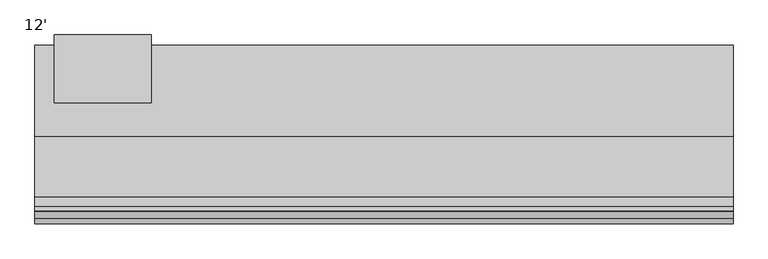
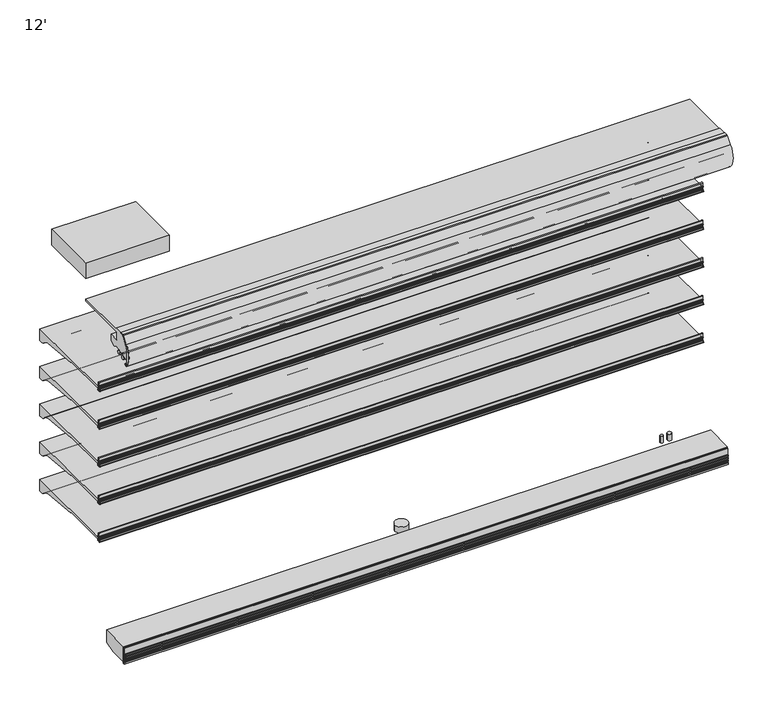
"""IFC4 building model written with IfcOpenShell, lengths in millimetres: proxy geometry, 12'."""

from ifc_helpers import new_model, si_unit, point, frame, frame_2d, origin, place, context, project, spatial, polyline, circle_curve, trimmed, segment, composite_curve, outline, extrude, source, transform, mapped, element, save
from ifc_brep_helpers import plane_surface, cylinder_surface, advanced_brep


def proxy_12_bc94e205(model_context):
    return source(origin(), model_context, "Body", "SolidModel", [
        extrude(outline(composite_curve([segment(polyline([(-1166.6809512, 673.3590118), (-1166.6809512, 627.2869913), (-1172.3025077, 627.2869913), (-1172.3025077, 673.3590118)]), True, "CONTINUOUS"), segment(trimmed(circle_curve(frame_2d((-1169.4917294, 673.3590118)), 2.8107783), [point((-1172.3025077, 673.3590118))], [point((-1166.6809512, 673.3590118))], False, "CARTESIAN"), True, "CONTINUOUS")], self_intersect=False)), frame((0.0, 0.0, 0.0), z_axis=(1.0, 0.0, 0.0), x_axis=(0.0, 1.0, 0.0)), (0.0, 0.0, 1.0), 3657.6),
        extrude(outline(composite_curve([segment(trimmed(circle_curve(frame_2d((-1163.4504929, 651.4868368)), 1.9280539), [point((-1161.7517309, 652.3987576))], [point((-1165.331757, 651.9090184))], True, "CARTESIAN"), True, "CONTINUOUS"), segment(polyline([(-1165.331757, 651.9090184), (-1165.250252, 627.491416)]), True, "CONTINUOUS"), segment(trimmed(circle_curve(frame_2d((-1163.3310491, 627.4978222)), 1.9192136), [point((-1165.250252, 627.491416))], [point((-1161.7034586, 626.4808021))], True, "CARTESIAN"), True, "CONTINUOUS"), segment(polyline([(-1161.7034586, 626.4808021), (-1160.7655732, 628.4261116), (-1159.7610244, 628.067256), (-1160.5780157, 625.7802423)]), True, "CONTINUOUS"), segment(trimmed(circle_curve(frame_2d((-1163.9150962, 626.6263023)), 3.4426623), [point((-1160.5780157, 625.7802423))], [point((-1163.425503, 623.2186312))], False, "CARTESIAN"), True, "CONTINUOUS"), segment(polyline([(-1163.425503, 623.2186312), (-1175.1969589, 621.2859884)]), True, "CONTINUOUS"), segment(trimmed(circle_curve(frame_2d((-1176.0623556, 624.8178953)), 3.6363825), [point((-1175.1969589, 621.2859884))], [point((-1176.8707168, 621.2724997))], False, "CARTESIAN"), True, "CONTINUOUS"), segment(trimmed(circle_curve(frame_2d((-1175.662177, 627.6109197)), 6.4526069), [point((-1176.8707168, 621.2724997))], [point((-1181.8828486, 625.8964572))], False, "CARTESIAN"), True, "CONTINUOUS"), segment(trimmed(circle_curve(frame_2d((-1181.3604941, 626.058445)), 0.5468951), [point((-1181.8828486, 625.8964572))], [point((-1180.9789417, 626.450251))], False, "CARTESIAN"), True, "CONTINUOUS"), segment(polyline([(-1180.9789417, 626.450251), (-1180.476531, 624.9916703)]), True, "CONTINUOUS"), segment(trimmed(circle_curve(frame_2d((-1179.8915211, 625.193178)), 0.6187422), [point((-1180.476531, 624.9916703))], [point((-1179.2817387, 625.0882627))], True, "CARTESIAN"), True, "CONTINUOUS"), segment(trimmed(circle_curve(frame_2d((-1200.8573005, 639.2081773)), 25.7852062), [point((-1179.2817387, 625.0882627))], [point((-1175.8138409, 633.0679827))], True, "CARTESIAN"), True, "CONTINUOUS"), segment(trimmed(circle_curve(frame_2d((-1176.043253, 634.0002362)), 0.9600659), [point((-1175.8138409, 633.0679827))], [point((-1175.3385731, 634.6522736))], True, "CARTESIAN"), True, "CONTINUOUS"), segment(polyline([(-1175.3385731, 634.6522736), (-1174.9159447, 637.4202118)]), True, "CONTINUOUS"), segment(trimmed(circle_curve(frame_2d((-1175.2488063, 638.3116775)), 0.9515818), [point((-1174.9159447, 637.4202118))], [point((-1174.7299165, 639.1093373))], True, "CARTESIAN"), True, "CONTINUOUS"), segment(polyline([(-1174.7299165, 639.1093373), (-1174.6443367, 643.2740469), (-1173.8383813, 646.5265397), (-1174.6268164, 646.72591), (-1174.6268164, 651.4923226), (-1175.4872628, 651.4923226)]), True, "CONTINUOUS"), segment(trimmed(circle_curve(frame_2d((-1183.4029864, 648.5576543)), 8.4422129), [point((-1175.4872628, 651.4923226))], [point((-1177.4034441, 654.4970525))], True, "CARTESIAN"), True, "CONTINUOUS"), segment(trimmed(circle_curve(frame_2d((-1177.9034836, 654.120097)), 0.6262068), [point((-1177.4034441, 654.4970525))], [point((-1178.3956204, 654.507313))], True, "CARTESIAN"), True, "CONTINUOUS"), segment(polyline([(-1178.3956204, 654.507313), (-1178.9699684, 652.9277082)]), True, "CONTINUOUS"), segment(trimmed(circle_curve(frame_2d((-1179.4707304, 653.0647503)), 0.5191754), [point((-1178.9699684, 652.9277082))], [point((-1179.9893103, 653.0896108))], False, "CARTESIAN"), True, "CONTINUOUS"), segment(polyline([(-1179.9893103, 653.0896108), (-1179.6344995, 654.0659516), (-1179.0270967, 655.1476351)]), True, "CONTINUOUS"), segment(trimmed(circle_curve(frame_2d((-1177.9637464, 654.6690909)), 1.1660697), [point((-1179.0270967, 655.1476351))], [point((-1178.012063, 655.8341591))], False, "CARTESIAN"), True, "CONTINUOUS"), segment(polyline([(-1178.012063, 655.8341591), (-1172.4315975, 655.8341591), (-1172.7816684, 639.8794823)]), True, "CONTINUOUS"), segment(trimmed(circle_curve(frame_2d((-1204.7325475, 641.2071084)), 31.9784501), [point((-1172.7816684, 639.8794823))], [point((-1175.8839973, 627.4091948))], False, "CARTESIAN"), True, "CONTINUOUS"), segment(trimmed(circle_curve(frame_2d((-1173.5772773, 626.4881969)), 2.4837863), [point((-1175.8839973, 627.4091948))], [point((-1173.3647043, 624.0135238))], True, "CARTESIAN"), True, "CONTINUOUS"), segment(polyline([(-1173.3647043, 624.0135238), (-1168.8550638, 624.7374041)]), True, "CONTINUOUS"), segment(trimmed(circle_curve(frame_2d((-1169.2651209, 627.3013858)), 2.5965648), [point((-1168.8550638, 624.7374041))], [point((-1166.6809512, 627.0479772))], True, "CARTESIAN"), True, "CONTINUOUS"), segment(polyline([(-1166.6809512, 627.0479772), (-1166.6809512, 655.8555063), (-1163.974361, 655.8555063)]), True, "CONTINUOUS"), segment(trimmed(circle_curve(frame_2d((-1164.2104521, 652.5229101)), 3.3409484), [point((-1163.974361, 655.8555063))], [point((-1161.2402611, 654.0525838))], False, "CARTESIAN"), True, "CONTINUOUS"), segment(polyline([(-1161.2402611, 654.0525838), (-1160.0124559, 650.9106294), (-1161.016829, 650.5181429), (-1161.7517309, 652.3987576)]), True, "CONTINUOUS")], self_intersect=False)), frame((0.0, 0.0, 0.0), z_axis=(1.0, 0.0, 0.0), x_axis=(0.0, 1.0, 0.0)), (0.0, 0.0, 1.0), 3657.6),
        extrude(outline(composite_curve([segment(polyline([(-1166.6809512, 914.6590118), (-1166.6809512, 868.5869913), (-1172.3025077, 868.5869913), (-1172.3025077, 914.6590118)]), True, "CONTINUOUS"), segment(trimmed(circle_curve(frame_2d((-1169.4917294, 914.6590118)), 2.8107783), [point((-1172.3025077, 914.6590118))], [point((-1166.6809512, 914.6590118))], False, "CARTESIAN"), True, "CONTINUOUS")], self_intersect=False)), frame((0.0, 0.0, 0.0), z_axis=(1.0, 0.0, 0.0), x_axis=(0.0, 1.0, 0.0)), (0.0, 0.0, 1.0), 3657.6),
        extrude(outline(composite_curve([segment(trimmed(circle_curve(frame_2d((-1163.4504929, 892.7868368)), 1.9280539), [point((-1161.7517309, 893.6987576))], [point((-1165.331757, 893.2090184))], True, "CARTESIAN"), True, "CONTINUOUS"), segment(polyline([(-1165.331757, 893.2090184), (-1165.250252, 868.791416)]), True, "CONTINUOUS"), segment(trimmed(circle_curve(frame_2d((-1163.3310491, 868.7978222)), 1.9192136), [point((-1165.250252, 868.791416))], [point((-1161.7034586, 867.7808021))], True, "CARTESIAN"), True, "CONTINUOUS"), segment(polyline([(-1161.7034586, 867.7808021), (-1160.7655732, 869.7261116), (-1159.7610244, 869.367256), (-1160.5780157, 867.0802423)]), True, "CONTINUOUS"), segment(trimmed(circle_curve(frame_2d((-1163.9150962, 867.9263023)), 3.4426623), [point((-1160.5780157, 867.0802423))], [point((-1163.425503, 864.5186312))], False, "CARTESIAN"), True, "CONTINUOUS"), segment(polyline([(-1163.425503, 864.5186312), (-1175.1969589, 862.5859884)]), True, "CONTINUOUS"), segment(trimmed(circle_curve(frame_2d((-1176.0623556, 866.1178953)), 3.6363825), [point((-1175.1969589, 862.5859884))], [point((-1176.8707168, 862.5724997))], False, "CARTESIAN"), True, "CONTINUOUS"), segment(trimmed(circle_curve(frame_2d((-1175.662177, 868.9109197)), 6.4526069), [point((-1176.8707168, 862.5724997))], [point((-1181.8828486, 867.1964572))], False, "CARTESIAN"), True, "CONTINUOUS"), segment(trimmed(circle_curve(frame_2d((-1181.3604941, 867.358445)), 0.5468951), [point((-1181.8828486, 867.1964572))], [point((-1180.9789417, 867.750251))], False, "CARTESIAN"), True, "CONTINUOUS"), segment(polyline([(-1180.9789417, 867.750251), (-1180.476531, 866.2916703)]), True, "CONTINUOUS"), segment(trimmed(circle_curve(frame_2d((-1179.8915211, 866.493178)), 0.6187422), [point((-1180.476531, 866.2916703))], [point((-1179.2817387, 866.3882627))], True, "CARTESIAN"), True, "CONTINUOUS"), segment(trimmed(circle_curve(frame_2d((-1200.8573005, 880.5081773)), 25.7852062), [point((-1179.2817387, 866.3882627))], [point((-1175.8138409, 874.3679827))], True, "CARTESIAN"), True, "CONTINUOUS"), segment(trimmed(circle_curve(frame_2d((-1176.043253, 875.3002362)), 0.9600659), [point((-1175.8138409, 874.3679827))], [point((-1175.3385731, 875.9522736))], True, "CARTESIAN"), True, "CONTINUOUS"), segment(polyline([(-1175.3385731, 875.9522736), (-1174.9159447, 878.7202118)]), True, "CONTINUOUS"), segment(trimmed(circle_curve(frame_2d((-1175.2488063, 879.6116775)), 0.9515818), [point((-1174.9159447, 878.7202118))], [point((-1174.7299165, 880.4093373))], True, "CARTESIAN"), True, "CONTINUOUS"), segment(polyline([(-1174.7299165, 880.4093373), (-1174.6443367, 884.5740469), (-1173.8383813, 887.8265397), (-1174.6268164, 888.02591), (-1174.6268164, 892.7923226), (-1175.4872628, 892.7923226)]), True, "CONTINUOUS"), segment(trimmed(circle_curve(frame_2d((-1183.4029864, 889.8576543)), 8.4422129), [point((-1175.4872628, 892.7923226))], [point((-1177.4034441, 895.7970525))], True, "CARTESIAN"), True, "CONTINUOUS"), segment(trimmed(circle_curve(frame_2d((-1177.9034836, 895.420097)), 0.6262068), [point((-1177.4034441, 895.7970525))], [point((-1178.3956204, 895.807313))], True, "CARTESIAN"), True, "CONTINUOUS"), segment(polyline([(-1178.3956204, 895.807313), (-1178.9699684, 894.2277082)]), True, "CONTINUOUS"), segment(trimmed(circle_curve(frame_2d((-1179.4707304, 894.3647503)), 0.5191754), [point((-1178.9699684, 894.2277082))], [point((-1179.9893103, 894.3896108))], False, "CARTESIAN"), True, "CONTINUOUS"), segment(polyline([(-1179.9893103, 894.3896108), (-1179.6344995, 895.3659516), (-1179.0270967, 896.4476351)]), True, "CONTINUOUS"), segment(trimmed(circle_curve(frame_2d((-1177.9637464, 895.9690909)), 1.1660697), [point((-1179.0270967, 896.4476351))], [point((-1178.012063, 897.1341591))], False, "CARTESIAN"), True, "CONTINUOUS"), segment(polyline([(-1178.012063, 897.1341591), (-1172.4315975, 897.1341591), (-1172.7816684, 881.1794823)]), True, "CONTINUOUS"), segment(trimmed(circle_curve(frame_2d((-1204.7325475, 882.5071084)), 31.9784501), [point((-1172.7816684, 881.1794823))], [point((-1175.8839973, 868.7091948))], False, "CARTESIAN"), True, "CONTINUOUS"), segment(trimmed(circle_curve(frame_2d((-1173.5772773, 867.7881969)), 2.4837863), [point((-1175.8839973, 868.7091948))], [point((-1173.3647043, 865.3135238))], True, "CARTESIAN"), True, "CONTINUOUS"), segment(polyline([(-1173.3647043, 865.3135238), (-1168.8550638, 866.0374041)]), True, "CONTINUOUS"), segment(trimmed(circle_curve(frame_2d((-1169.2651209, 868.6013858)), 2.5965648), [point((-1168.8550638, 866.0374041))], [point((-1166.6809512, 868.3479772))], True, "CARTESIAN"), True, "CONTINUOUS"), segment(polyline([(-1166.6809512, 868.3479772), (-1166.6809512, 897.1555063), (-1163.974361, 897.1555063)]), True, "CONTINUOUS"), segment(trimmed(circle_curve(frame_2d((-1164.2104521, 893.8229101)), 3.3409484), [point((-1163.974361, 897.1555063))], [point((-1161.2402611, 895.3525838))], False, "CARTESIAN"), True, "CONTINUOUS"), segment(polyline([(-1161.2402611, 895.3525838), (-1160.0124559, 892.2106294), (-1161.016829, 891.8181429), (-1161.7517309, 893.6987576)]), True, "CONTINUOUS")], self_intersect=False)), frame((0.0, 0.0, 0.0), z_axis=(1.0, 0.0, 0.0), x_axis=(0.0, 1.0, 0.0)), (0.0, 0.0, 1.0), 3657.6),
        extrude(outline(composite_curve([segment(polyline([(-1166.6809512, 1155.9590118), (-1166.6809512, 1109.8869913), (-1172.3025077, 1109.8869913), (-1172.3025077, 1155.9590118)]), True, "CONTINUOUS"), segment(trimmed(circle_curve(frame_2d((-1169.4917294, 1155.9590118)), 2.8107783), [point((-1172.3025077, 1155.9590118))], [point((-1166.6809512, 1155.9590118))], False, "CARTESIAN"), True, "CONTINUOUS")], self_intersect=False)), frame((0.0, 0.0, 0.0), z_axis=(1.0, 0.0, 0.0), x_axis=(0.0, 1.0, 0.0)), (0.0, 0.0, 1.0), 3657.6),
        extrude(outline(composite_curve([segment(trimmed(circle_curve(frame_2d((-1163.4504929, 1134.0868368)), 1.9280539), [point((-1161.7517309, 1134.9987576))], [point((-1165.331757, 1134.5090184))], True, "CARTESIAN"), True, "CONTINUOUS"), segment(polyline([(-1165.331757, 1134.5090184), (-1165.250252, 1110.091416)]), True, "CONTINUOUS"), segment(trimmed(circle_curve(frame_2d((-1163.3310491, 1110.0978222)), 1.9192136), [point((-1165.250252, 1110.091416))], [point((-1161.7034586, 1109.0808021))], True, "CARTESIAN"), True, "CONTINUOUS"), segment(polyline([(-1161.7034586, 1109.0808021), (-1160.7655732, 1111.0261116), (-1159.7610244, 1110.667256), (-1160.5780157, 1108.3802423)]), True, "CONTINUOUS"), segment(trimmed(circle_curve(frame_2d((-1163.9150962, 1109.2263023)), 3.4426623), [point((-1160.5780157, 1108.3802423))], [point((-1163.425503, 1105.8186312))], False, "CARTESIAN"), True, "CONTINUOUS"), segment(polyline([(-1163.425503, 1105.8186312), (-1175.1969589, 1103.8859884)]), True, "CONTINUOUS"), segment(trimmed(circle_curve(frame_2d((-1176.0623556, 1107.4178953)), 3.6363825), [point((-1175.1969589, 1103.8859884))], [point((-1176.8707168, 1103.8724997))], False, "CARTESIAN"), True, "CONTINUOUS"), segment(trimmed(circle_curve(frame_2d((-1175.662177, 1110.2109197)), 6.4526069), [point((-1176.8707168, 1103.8724997))], [point((-1181.8828486, 1108.4964572))], False, "CARTESIAN"), True, "CONTINUOUS"), segment(trimmed(circle_curve(frame_2d((-1181.3604941, 1108.658445)), 0.5468951), [point((-1181.8828486, 1108.4964572))], [point((-1180.9789417, 1109.050251))], False, "CARTESIAN"), True, "CONTINUOUS"), segment(polyline([(-1180.9789417, 1109.050251), (-1180.476531, 1107.5916703)]), True, "CONTINUOUS"), segment(trimmed(circle_curve(frame_2d((-1179.8915211, 1107.793178)), 0.6187422), [point((-1180.476531, 1107.5916703))], [point((-1179.2817387, 1107.6882627))], True, "CARTESIAN"), True, "CONTINUOUS"), segment(trimmed(circle_curve(frame_2d((-1200.8573005, 1121.8081773)), 25.7852062), [point((-1179.2817387, 1107.6882627))], [point((-1175.8138409, 1115.6679827))], True, "CARTESIAN"), True, "CONTINUOUS"), segment(trimmed(circle_curve(frame_2d((-1176.043253, 1116.6002362)), 0.9600659), [point((-1175.8138409, 1115.6679827))], [point((-1175.3385731, 1117.2522736))], True, "CARTESIAN"), True, "CONTINUOUS"), segment(polyline([(-1175.3385731, 1117.2522736), (-1174.9159447, 1120.0202118)]), True, "CONTINUOUS"), segment(trimmed(circle_curve(frame_2d((-1175.2488063, 1120.9116775)), 0.9515818), [point((-1174.9159447, 1120.0202118))], [point((-1174.7299165, 1121.7093373))], True, "CARTESIAN"), True, "CONTINUOUS"), segment(polyline([(-1174.7299165, 1121.7093373), (-1174.6443367, 1125.8740469), (-1173.8383813, 1129.1265397), (-1174.6268164, 1129.32591), (-1174.6268164, 1134.0923226), (-1175.4872628, 1134.0923226)]), True, "CONTINUOUS"), segment(trimmed(circle_curve(frame_2d((-1183.4029864, 1131.1576543)), 8.4422129), [point((-1175.4872628, 1134.0923226))], [point((-1177.4034441, 1137.0970525))], True, "CARTESIAN"), True, "CONTINUOUS"), segment(trimmed(circle_curve(frame_2d((-1177.9034836, 1136.720097)), 0.6262068), [point((-1177.4034441, 1137.0970525))], [point((-1178.3956204, 1137.107313))], True, "CARTESIAN"), True, "CONTINUOUS"), segment(polyline([(-1178.3956204, 1137.107313), (-1178.9699684, 1135.5277082)]), True, "CONTINUOUS"), segment(trimmed(circle_curve(frame_2d((-1179.4707304, 1135.6647503)), 0.5191754), [point((-1178.9699684, 1135.5277082))], [point((-1179.9893103, 1135.6896108))], False, "CARTESIAN"), True, "CONTINUOUS"), segment(polyline([(-1179.9893103, 1135.6896108), (-1179.6344995, 1136.6659516), (-1179.0270967, 1137.7476351)]), True, "CONTINUOUS"), segment(trimmed(circle_curve(frame_2d((-1177.9637464, 1137.2690909)), 1.1660697), [point((-1179.0270967, 1137.7476351))], [point((-1178.012063, 1138.4341591))], False, "CARTESIAN"), True, "CONTINUOUS"), segment(polyline([(-1178.012063, 1138.4341591), (-1172.4315975, 1138.4341591), (-1172.7816684, 1122.4794823)]), True, "CONTINUOUS"), segment(trimmed(circle_curve(frame_2d((-1204.7325475, 1123.8071084)), 31.9784501), [point((-1172.7816684, 1122.4794823))], [point((-1175.8839973, 1110.0091948))], False, "CARTESIAN"), True, "CONTINUOUS"), segment(trimmed(circle_curve(frame_2d((-1173.5772773, 1109.0881969)), 2.4837863), [point((-1175.8839973, 1110.0091948))], [point((-1173.3647043, 1106.6135238))], True, "CARTESIAN"), True, "CONTINUOUS"), segment(polyline([(-1173.3647043, 1106.6135238), (-1168.8550638, 1107.3374041)]), True, "CONTINUOUS"), segment(trimmed(circle_curve(frame_2d((-1169.2651209, 1109.9013858)), 2.5965648), [point((-1168.8550638, 1107.3374041))], [point((-1166.6809512, 1109.6479772))], True, "CARTESIAN"), True, "CONTINUOUS"), segment(polyline([(-1166.6809512, 1109.6479772), (-1166.6809512, 1138.4555063), (-1163.974361, 1138.4555063)]), True, "CONTINUOUS"), segment(trimmed(circle_curve(frame_2d((-1164.2104521, 1135.1229101)), 3.3409484), [point((-1163.974361, 1138.4555063))], [point((-1161.2402611, 1136.6525838))], False, "CARTESIAN"), True, "CONTINUOUS"), segment(polyline([(-1161.2402611, 1136.6525838), (-1160.0124559, 1133.5106294), (-1161.016829, 1133.1181429), (-1161.7517309, 1134.9987576)]), True, "CONTINUOUS")], self_intersect=False)), frame((0.0, 0.0, 0.0), z_axis=(1.0, 0.0, 0.0), x_axis=(0.0, 1.0, 0.0)), (0.0, 0.0, 1.0), 3657.6),
        extrude(outline(composite_curve([segment(polyline([(-1166.6809512, 1397.2590118), (-1166.6809512, 1351.1869913), (-1172.3025077, 1351.1869913), (-1172.3025077, 1397.2590118)]), True, "CONTINUOUS"), segment(trimmed(circle_curve(frame_2d((-1169.4917294, 1397.2590118)), 2.8107783), [point((-1172.3025077, 1397.2590118))], [point((-1166.6809512, 1397.2590118))], False, "CARTESIAN"), True, "CONTINUOUS")], self_intersect=False)), frame((0.0, 0.0, 0.0), z_axis=(1.0, 0.0, 0.0), x_axis=(0.0, 1.0, 0.0)), (0.0, 0.0, 1.0), 3657.6),
        extrude(outline(composite_curve([segment(trimmed(circle_curve(frame_2d((-1163.4504929, 1375.3868368)), 1.9280539), [point((-1161.7517309, 1376.2987576))], [point((-1165.331757, 1375.8090184))], True, "CARTESIAN"), True, "CONTINUOUS"), segment(polyline([(-1165.331757, 1375.8090184), (-1165.250252, 1351.391416)]), True, "CONTINUOUS"), segment(trimmed(circle_curve(frame_2d((-1163.3310491, 1351.3978222)), 1.9192136), [point((-1165.250252, 1351.391416))], [point((-1161.7034586, 1350.3808021))], True, "CARTESIAN"), True, "CONTINUOUS"), segment(polyline([(-1161.7034586, 1350.3808021), (-1160.7655732, 1352.3261116), (-1159.7610244, 1351.967256), (-1160.5780157, 1349.6802423)]), True, "CONTINUOUS"), segment(trimmed(circle_curve(frame_2d((-1163.9150962, 1350.5263023)), 3.4426623), [point((-1160.5780157, 1349.6802423))], [point((-1163.425503, 1347.1186312))], False, "CARTESIAN"), True, "CONTINUOUS"), segment(polyline([(-1163.425503, 1347.1186312), (-1175.1969589, 1345.1859884)]), True, "CONTINUOUS"), segment(trimmed(circle_curve(frame_2d((-1176.0623556, 1348.7178953)), 3.6363825), [point((-1175.1969589, 1345.1859884))], [point((-1176.8707168, 1345.1724997))], False, "CARTESIAN"), True, "CONTINUOUS"), segment(trimmed(circle_curve(frame_2d((-1175.662177, 1351.5109197)), 6.4526069), [point((-1176.8707168, 1345.1724997))], [point((-1181.8828486, 1349.7964572))], False, "CARTESIAN"), True, "CONTINUOUS"), segment(trimmed(circle_curve(frame_2d((-1181.3604941, 1349.958445)), 0.5468951), [point((-1181.8828486, 1349.7964572))], [point((-1180.9789417, 1350.350251))], False, "CARTESIAN"), True, "CONTINUOUS"), segment(polyline([(-1180.9789417, 1350.350251), (-1180.476531, 1348.8916703)]), True, "CONTINUOUS"), segment(trimmed(circle_curve(frame_2d((-1179.8915211, 1349.093178)), 0.6187422), [point((-1180.476531, 1348.8916703))], [point((-1179.2817387, 1348.9882627))], True, "CARTESIAN"), True, "CONTINUOUS"), segment(trimmed(circle_curve(frame_2d((-1200.8573005, 1363.1081773)), 25.7852062), [point((-1179.2817387, 1348.9882627))], [point((-1175.8138409, 1356.9679827))], True, "CARTESIAN"), True, "CONTINUOUS"), segment(trimmed(circle_curve(frame_2d((-1176.043253, 1357.9002362)), 0.9600659), [point((-1175.8138409, 1356.9679827))], [point((-1175.3385731, 1358.5522736))], True, "CARTESIAN"), True, "CONTINUOUS"), segment(polyline([(-1175.3385731, 1358.5522736), (-1174.9159447, 1361.3202118)]), True, "CONTINUOUS"), segment(trimmed(circle_curve(frame_2d((-1175.2488063, 1362.2116775)), 0.9515818), [point((-1174.9159447, 1361.3202118))], [point((-1174.7299165, 1363.0093373))], True, "CARTESIAN"), True, "CONTINUOUS"), segment(polyline([(-1174.7299165, 1363.0093373), (-1174.6443367, 1367.1740469), (-1173.8383813, 1370.4265397), (-1174.6268164, 1370.62591), (-1174.6268164, 1375.3923226), (-1175.4872628, 1375.3923226)]), True, "CONTINUOUS"), segment(trimmed(circle_curve(frame_2d((-1183.4029864, 1372.4576543)), 8.4422129), [point((-1175.4872628, 1375.3923226))], [point((-1177.4034441, 1378.3970525))], True, "CARTESIAN"), True, "CONTINUOUS"), segment(trimmed(circle_curve(frame_2d((-1177.9034836, 1378.020097)), 0.6262068), [point((-1177.4034441, 1378.3970525))], [point((-1178.3956204, 1378.407313))], True, "CARTESIAN"), True, "CONTINUOUS"), segment(polyline([(-1178.3956204, 1378.407313), (-1178.9699684, 1376.8277082)]), True, "CONTINUOUS"), segment(trimmed(circle_curve(frame_2d((-1179.4707304, 1376.9647503)), 0.5191754), [point((-1178.9699684, 1376.8277082))], [point((-1179.9893103, 1376.9896108))], False, "CARTESIAN"), True, "CONTINUOUS"), segment(polyline([(-1179.9893103, 1376.9896108), (-1179.6344995, 1377.9659516), (-1179.0270967, 1379.0476351)]), True, "CONTINUOUS"), segment(trimmed(circle_curve(frame_2d((-1177.9637464, 1378.5690909)), 1.1660697), [point((-1179.0270967, 1379.0476351))], [point((-1178.012063, 1379.7341591))], False, "CARTESIAN"), True, "CONTINUOUS"), segment(polyline([(-1178.012063, 1379.7341591), (-1172.4315975, 1379.7341591), (-1172.7816684, 1363.7794823)]), True, "CONTINUOUS"), segment(trimmed(circle_curve(frame_2d((-1204.7325475, 1365.1071084)), 31.9784501), [point((-1172.7816684, 1363.7794823))], [point((-1175.8839973, 1351.3091948))], False, "CARTESIAN"), True, "CONTINUOUS"), segment(trimmed(circle_curve(frame_2d((-1173.5772773, 1350.3881969)), 2.4837863), [point((-1175.8839973, 1351.3091948))], [point((-1173.3647043, 1347.9135238))], True, "CARTESIAN"), True, "CONTINUOUS"), segment(polyline([(-1173.3647043, 1347.9135238), (-1168.8550638, 1348.6374041)]), True, "CONTINUOUS"), segment(trimmed(circle_curve(frame_2d((-1169.2651209, 1351.2013858)), 2.5965648), [point((-1168.8550638, 1348.6374041))], [point((-1166.6809512, 1350.9479772))], True, "CARTESIAN"), True, "CONTINUOUS"), segment(polyline([(-1166.6809512, 1350.9479772), (-1166.6809512, 1379.7555063), (-1163.974361, 1379.7555063)]), True, "CONTINUOUS"), segment(trimmed(circle_curve(frame_2d((-1164.2104521, 1376.4229101)), 3.3409484), [point((-1163.974361, 1379.7555063))], [point((-1161.2402611, 1377.9525838))], False, "CARTESIAN"), True, "CONTINUOUS"), segment(polyline([(-1161.2402611, 1377.9525838), (-1160.0124559, 1374.8106294), (-1161.016829, 1374.4181429), (-1161.7517309, 1376.2987576)]), True, "CONTINUOUS")], self_intersect=False)), frame((0.0, 0.0, 0.0), z_axis=(1.0, 0.0, 0.0), x_axis=(0.0, 1.0, 0.0)), (0.0, 0.0, 1.0), 3657.6),
        extrude(outline(composite_curve([segment(polyline([(-1401.9895748, 2098.675), (-1422.2402351, 2098.675)]), True, "CONTINUOUS"), segment(trimmed(circle_curve(frame_2d((-1422.2402351, 2094.2009254)), 4.4740745), [point((-1422.2402351, 2098.675))], [point((-1425.458615, 2097.3088788))], True, "CARTESIAN"), True, "CONTINUOUS"), segment(polyline([(-1425.458615, 2097.3088788), (-1460.7854536, 2060.7268666)]), True, "CONTINUOUS"), segment(trimmed(circle_curve(frame_2d((-1388.5044641, 1990.9259263)), 100.4824), [point((-1460.7854536, 2060.7268666))], [point((-1469.2767016, 2050.6968084))], True, "CARTESIAN"), True, "CONTINUOUS"), segment(trimmed(circle_curve(frame_2d((-1388.5044641, 1990.9259263)), 100.4824), [point((-1469.2767016, 2050.6968084))], [point((-1461.9926392, 1922.3970943))], True, "CARTESIAN"), True, "CONTINUOUS"), segment(trimmed(circle_curve(frame_2d((-1458.1659041, 1925.9655825)), 5.2324), [point((-1461.9926392, 1922.3970943))], [point((-1454.4660386, 1922.265717))], True, "CARTESIAN"), True, "CONTINUOUS"), segment(polyline([(-1454.4660386, 1922.265717), (-1447.8924911, 1928.8392645), (-1446.4556502, 1927.4024235), (-1453.0291976, 1920.828876)]), True, "CONTINUOUS"), segment(trimmed(circle_curve(frame_2d((-1458.1659041, 1925.9655825)), 7.2644), [point((-1453.0291976, 1920.828876))], [point((-1463.47875, 1921.0112736))], False, "CARTESIAN"), True, "CONTINUOUS"), segment(trimmed(circle_curve(frame_2d((-1388.5044641, 1990.9259263)), 102.5144), [point((-1463.47875, 1921.0112736))], [point((-1462.2471521, 2062.1384124))], False, "CARTESIAN"), True, "CONTINUOUS"), segment(polyline([(-1462.2471521, 2062.1384124), (-1427.6113468, 2098.0048387)]), True, "CONTINUOUS"), segment(trimmed(circle_curve(frame_2d((-1422.3857748, 2092.9585624)), 7.2644), [point((-1427.6113468, 2098.0048387))], [point((-1422.3857748, 2100.2229624))], False, "CARTESIAN"), True, "CONTINUOUS"), segment(polyline([(-1422.3857748, 2100.2229624), (-1401.9895748, 2100.2229624), (-1401.9895748, 2098.675)]), True, "CONTINUOUS")], self_intersect=False)), frame((0.0, 0.0, 0.0), z_axis=(1.0, 0.0, 0.0), x_axis=(0.0, 1.0, 0.0)), (0.0, 0.0, 1.0), 3657.6),
        extrude(outline(composite_curve([segment(trimmed(circle_curve(frame_2d((-1382.6450033, 1963.4468051)), 11.1125), [point((-1393.7574982, 1963.4361068))], [point((-1371.5325085, 1963.4575034))], False, "CARTESIAN"), True, "CONTINUOUS"), segment(trimmed(circle_curve(frame_2d((-1382.6450033, 1963.4468051)), 11.1125), [point((-1371.5325085, 1963.4575034))], [point((-1393.7574982, 1963.4361068))], False, "CARTESIAN"), True, "CONTINUOUS")], self_intersect=False)), frame((0.0, 0.0, 0.0), z_axis=(1.0, 0.0, 0.0), x_axis=(0.0, 1.0, 0.0)), (0.0, 0.0, 1.0), 3657.6),
        extrude(outline(composite_curve([segment(trimmed(circle_curve(frame_2d((-1422.7955513, 1952.5918872)), 11.1125), [point((-1433.9080461, 1952.5811889))], [point((-1411.6830564, 1952.6025854))], False, "CARTESIAN"), True, "CONTINUOUS"), segment(trimmed(circle_curve(frame_2d((-1422.7955513, 1952.5918872)), 11.1125), [point((-1411.6830564, 1952.6025854))], [point((-1433.9080461, 1952.5811889))], False, "CARTESIAN"), True, "CONTINUOUS")], self_intersect=False)), frame((0.0, 0.0, 0.0), z_axis=(1.0, 0.0, 0.0), x_axis=(0.0, 1.0, 0.0)), (0.0, 0.0, 1.0), 3657.6),
        extrude(outline(composite_curve([segment(polyline([(-1421.4795117, 2098.675), (-1353.1925343, 2098.675), (-1353.1925343, 2094.407711), (-1036.8679254, 2094.407711), (-1036.8679254, 2079.9361513), (-1361.2177409, 2079.9361513), (-1361.2177409, 2029.1361513), (-1300.8277259, 2029.1361513), (-1300.8277259, 1989.1126887), (-1337.1349866, 1975.8979266), (-1362.075082, 1987.5276841), (-1465.8717206, 1959.7154586), (-1465.8717206, 1929.2913231)]), True, "CONTINUOUS"), segment(trimmed(circle_curve(frame_2d((-1464.2842206, 1929.2913231)), 1.5875), [point((-1465.8717206, 1929.2913231))], [point((-1464.8010601, 1927.7903123))], True, "CARTESIAN"), True, "CONTINUOUS"), segment(polyline([(-1464.8010601, 1927.7903123), (-1454.6095723, 1924.2811017)]), True, "CONTINUOUS"), segment(trimmed(circle_curve(frame_2d((-1454.0927328, 1925.7821124)), 1.5875), [point((-1454.6095723, 1924.2811017))], [point((-1452.9702008, 1924.6595804))], True, "CARTESIAN"), True, "CONTINUOUS"), segment(polyline([(-1452.9702008, 1924.6595804), (-1449.6242529, 1928.0055284)]), True, "CONTINUOUS"), segment(trimmed(circle_curve(frame_2d((-1449.3997464, 1927.781022)), 0.3175), [point((-1449.6242529, 1928.0055284))], [point((-1449.17524, 1927.5565156))], False, "CARTESIAN"), True, "CONTINUOUS"), segment(polyline([(-1449.17524, 1927.5565156), (-1452.521188, 1924.2105676)]), True, "CONTINUOUS"), segment(trimmed(circle_curve(frame_2d((-1454.0927328, 1925.7821124)), 2.2225), [point((-1452.521188, 1924.2105676))], [point((-1454.8163081, 1923.6806974))], False, "CARTESIAN"), True, "CONTINUOUS"), segment(polyline([(-1454.8163081, 1923.6806974), (-1465.0077959, 1927.189908)]), True, "CONTINUOUS"), segment(trimmed(circle_curve(frame_2d((-1464.2842206, 1929.2913231)), 2.2225), [point((-1465.0077959, 1927.189908))], [point((-1466.5067206, 1929.2913231))], False, "CARTESIAN"), True, "CONTINUOUS"), segment(polyline([(-1466.5067206, 1929.2913231), (-1466.5067206, 2031.5920746), (-1432.9095117, 2079.5738616), (-1432.9095117, 2083.5097624), (-1421.4795117, 2094.6095624), (-1421.4795117, 2098.675)]), True, "CONTINUOUS")], self_intersect=False)), frame((0.0, 0.0, 0.0), z_axis=(1.0, 0.0, 0.0), x_axis=(0.0, 1.0, 0.0)), (0.0, 0.0, 1.0), 3657.6),
        extrude(outline(polyline([(609.6, -502.5186137), (609.6, -858.1186137), (101.6, -858.1186137), (101.6, -502.5186137), (609.6, -502.5186137)])), frame((0.0, 0.0, 2079.9361513), z_axis=(0.0, 0.0, 1.0), x_axis=(1.0, 0.0, 0.0)), (0.0, 0.0, 1.0), 102.0572),
        extrude(outline(composite_curve([segment(polyline([(-1430.4508502, 0.0), (-1442.1812873, 0.0), (-1442.1812873, 8.4852001)]), True, "CONTINUOUS"), segment(trimmed(circle_curve(frame_2d((-1443.1437506, 15.2920025)), 6.8745105), [point((-1442.1812873, 8.4852001))], [point((-1436.5835392, 13.2371249))], True, "CARTESIAN"), True, "CONTINUOUS"), segment(polyline([(-1436.5835392, 13.2371249), (-1434.9883529, 18.9518946), (-1440.3853294, 17.8570836), (-1441.3969712, 17.8570836), (-1441.3969712, 24.300662)]), True, "CONTINUOUS"), segment(trimmed(circle_curve(frame_2d((-1443.6384576, 31.1512245)), 7.2079448), [point((-1441.3969712, 24.300662))], [point((-1436.7586105, 29.001301))], True, "CARTESIAN"), True, "CONTINUOUS"), segment(polyline([(-1436.7586105, 29.001301), (-1434.9883529, 34.6662009), (-1440.3853294, 33.5713898), (-1441.3969712, 33.5713898), (-1441.3969712, 40.0149682)]), True, "CONTINUOUS"), segment(trimmed(circle_curve(frame_2d((-1443.6751786, 46.9017652)), 7.2538404), [point((-1441.3969712, 40.0149682))], [point((-1436.7586105, 44.7156073))], True, "CARTESIAN"), True, "CONTINUOUS"), segment(polyline([(-1436.7586105, 44.7156073), (-1434.9883529, 50.3163494), (-1440.3853294, 49.2857909), (-1441.3969712, 49.2857909), (-1441.3969712, 55.7293693)]), True, "CONTINUOUS"), segment(trimmed(circle_curve(frame_2d((-1441.0936844, 61.292491)), 5.5713828), [point((-1441.3969712, 55.7293693))], [point((-1437.1434491, 57.3636302))], True, "CARTESIAN"), True, "CONTINUOUS"), segment(polyline([(-1437.1434491, 57.3636302), (-1437.1434491, 59.2060524), (-1437.1434491, 98.81235), (-1430.4508502, 98.81235), (-1430.4508502, 0.0)]), True, "CONTINUOUS")], self_intersect=False)), frame((0.0, 0.0, 0.0), z_axis=(1.0, 0.0, 0.0), x_axis=(0.0, 1.0, 0.0)), (0.0, 0.0, 1.0), 3657.6),
        extrude(outline(composite_curve([segment(polyline([(-1166.6809512, 1638.5590118), (-1166.6809512, 1592.4869913), (-1172.3025077, 1592.4869913), (-1172.3025077, 1638.5590118)]), True, "CONTINUOUS"), segment(trimmed(circle_curve(frame_2d((-1169.4917294, 1638.5590118)), 2.8107783), [point((-1172.3025077, 1638.5590118))], [point((-1166.6809512, 1638.5590118))], False, "CARTESIAN"), True, "CONTINUOUS")], self_intersect=False)), frame((0.0, 0.0, 0.0), z_axis=(1.0, 0.0, 0.0), x_axis=(0.0, 1.0, 0.0)), (0.0, 0.0, 1.0), 3657.6),
        extrude(outline(composite_curve([segment(trimmed(circle_curve(frame_2d((-1163.4504929, 1616.6868368)), 1.9280539), [point((-1161.7517309, 1617.5987576))], [point((-1165.331757, 1617.1090184))], True, "CARTESIAN"), True, "CONTINUOUS"), segment(polyline([(-1165.331757, 1617.1090184), (-1165.250252, 1592.691416)]), True, "CONTINUOUS"), segment(trimmed(circle_curve(frame_2d((-1163.3310491, 1592.6978222)), 1.9192136), [point((-1165.250252, 1592.691416))], [point((-1161.7034586, 1591.6808021))], True, "CARTESIAN"), True, "CONTINUOUS"), segment(polyline([(-1161.7034586, 1591.6808021), (-1160.7655732, 1593.6261116), (-1159.7610244, 1593.267256), (-1160.5780157, 1590.9802423)]), True, "CONTINUOUS"), segment(trimmed(circle_curve(frame_2d((-1163.9150962, 1591.8263023)), 3.4426623), [point((-1160.5780157, 1590.9802423))], [point((-1163.425503, 1588.4186312))], False, "CARTESIAN"), True, "CONTINUOUS"), segment(polyline([(-1163.425503, 1588.4186312), (-1175.1969589, 1586.4859884)]), True, "CONTINUOUS"), segment(trimmed(circle_curve(frame_2d((-1176.0623556, 1590.0178953)), 3.6363825), [point((-1175.1969589, 1586.4859884))], [point((-1176.8707168, 1586.4724997))], False, "CARTESIAN"), True, "CONTINUOUS"), segment(trimmed(circle_curve(frame_2d((-1175.662177, 1592.8109197)), 6.4526069), [point((-1176.8707168, 1586.4724997))], [point((-1181.8828486, 1591.0964572))], False, "CARTESIAN"), True, "CONTINUOUS"), segment(trimmed(circle_curve(frame_2d((-1181.3604941, 1591.258445)), 0.5468951), [point((-1181.8828486, 1591.0964572))], [point((-1180.9789417, 1591.650251))], False, "CARTESIAN"), True, "CONTINUOUS"), segment(polyline([(-1180.9789417, 1591.650251), (-1180.476531, 1590.1916703)]), True, "CONTINUOUS"), segment(trimmed(circle_curve(frame_2d((-1179.8915211, 1590.393178)), 0.6187422), [point((-1180.476531, 1590.1916703))], [point((-1179.2817387, 1590.2882627))], True, "CARTESIAN"), True, "CONTINUOUS"), segment(trimmed(circle_curve(frame_2d((-1200.8573005, 1604.4081773)), 25.7852062), [point((-1179.2817387, 1590.2882627))], [point((-1175.8138409, 1598.2679827))], True, "CARTESIAN"), True, "CONTINUOUS"), segment(trimmed(circle_curve(frame_2d((-1176.043253, 1599.2002362)), 0.9600659), [point((-1175.8138409, 1598.2679827))], [point((-1175.3385731, 1599.8522736))], True, "CARTESIAN"), True, "CONTINUOUS"), segment(polyline([(-1175.3385731, 1599.8522736), (-1174.9159447, 1602.6202118)]), True, "CONTINUOUS"), segment(trimmed(circle_curve(frame_2d((-1175.2488063, 1603.5116775)), 0.9515818), [point((-1174.9159447, 1602.6202118))], [point((-1174.7299165, 1604.3093373))], True, "CARTESIAN"), True, "CONTINUOUS"), segment(polyline([(-1174.7299165, 1604.3093373), (-1174.6443367, 1608.4740469), (-1173.8383813, 1611.7265397), (-1174.6268164, 1611.92591), (-1174.6268164, 1616.6923226), (-1175.4872628, 1616.6923226)]), True, "CONTINUOUS"), segment(trimmed(circle_curve(frame_2d((-1183.4029864, 1613.7576543)), 8.4422129), [point((-1175.4872628, 1616.6923226))], [point((-1177.4034441, 1619.6970525))], True, "CARTESIAN"), True, "CONTINUOUS"), segment(trimmed(circle_curve(frame_2d((-1177.9034836, 1619.320097)), 0.6262068), [point((-1177.4034441, 1619.6970525))], [point((-1178.3956204, 1619.707313))], True, "CARTESIAN"), True, "CONTINUOUS"), segment(polyline([(-1178.3956204, 1619.707313), (-1178.9699684, 1618.1277082)]), True, "CONTINUOUS"), segment(trimmed(circle_curve(frame_2d((-1179.4707304, 1618.2647503)), 0.5191754), [point((-1178.9699684, 1618.1277082))], [point((-1179.9893103, 1618.2896108))], False, "CARTESIAN"), True, "CONTINUOUS"), segment(polyline([(-1179.9893103, 1618.2896108), (-1179.6344995, 1619.2659516), (-1179.0270967, 1620.3476351)]), True, "CONTINUOUS"), segment(trimmed(circle_curve(frame_2d((-1177.9637464, 1619.8690909)), 1.1660697), [point((-1179.0270967, 1620.3476351))], [point((-1178.012063, 1621.0341591))], False, "CARTESIAN"), True, "CONTINUOUS"), segment(polyline([(-1178.012063, 1621.0341591), (-1172.4315975, 1621.0341591), (-1172.7816684, 1605.0794823)]), True, "CONTINUOUS"), segment(trimmed(circle_curve(frame_2d((-1204.7325475, 1606.4071084)), 31.9784501), [point((-1172.7816684, 1605.0794823))], [point((-1175.8839973, 1592.6091948))], False, "CARTESIAN"), True, "CONTINUOUS"), segment(trimmed(circle_curve(frame_2d((-1173.5772773, 1591.6881969)), 2.4837863), [point((-1175.8839973, 1592.6091948))], [point((-1173.3647043, 1589.2135238))], True, "CARTESIAN"), True, "CONTINUOUS"), segment(polyline([(-1173.3647043, 1589.2135238), (-1168.8550638, 1589.9374041)]), True, "CONTINUOUS"), segment(trimmed(circle_curve(frame_2d((-1169.2651209, 1592.5013858)), 2.5965648), [point((-1168.8550638, 1589.9374041))], [point((-1166.6809512, 1592.2479772))], True, "CARTESIAN"), True, "CONTINUOUS"), segment(polyline([(-1166.6809512, 1592.2479772), (-1166.6809512, 1621.0555063), (-1163.974361, 1621.0555063)]), True, "CONTINUOUS"), segment(trimmed(circle_curve(frame_2d((-1164.2104521, 1617.7229101)), 3.3409484), [point((-1163.974361, 1621.0555063))], [point((-1161.2402611, 1619.2525838))], False, "CARTESIAN"), True, "CONTINUOUS"), segment(polyline([(-1161.2402611, 1619.2525838), (-1160.0124559, 1616.1106294), (-1161.016829, 1615.7181429), (-1161.7517309, 1617.5987576)]), True, "CONTINUOUS")], self_intersect=False)), frame((0.0, 0.0, 0.0), z_axis=(1.0, 0.0, 0.0), x_axis=(0.0, 1.0, 0.0)), (0.0, 0.0, 1.0), 3657.6),
        extrude(outline(composite_curve([segment(polyline([(-555.6910045, 571.547791), (-574.0670246, 571.2353274)]), True, "CONTINUOUS"), segment(trimmed(circle_curve(frame_2d((-574.4988606, 596.6316562)), 25.4), [point((-574.0670246, 571.2353274))], [point((-590.4762169, 576.8861735))], False, "CARTESIAN"), True, "CONTINUOUS"), segment(polyline([(-590.4762169, 576.8861735), (-608.328278, 591.331439)]), True, "CONTINUOUS"), segment(trimmed(circle_curve(frame_2d((-648.2716687, 541.9677323)), 63.5), [point((-608.328278, 591.331439))], [point((-640.3737874, 604.9746642))], True, "CARTESIAN"), True, "CONTINUOUS"), segment(polyline([(-640.3737874, 604.9746642), (-880.2379219, 628.6718016), (-881.7266984, 632.1123537), (-1165.2910045, 632.1123537), (-1165.2910045, 646.3363537), (-555.6910045, 646.3363537), (-555.6910045, 571.547791)]), True, "CONTINUOUS")], self_intersect=False)), frame((0.0, 0.0, 0.0), z_axis=(1.0, 0.0, 0.0), x_axis=(0.0, 1.0, 0.0)), (0.0, 0.0, 1.0), 3657.6),
        extrude(outline(composite_curve([segment(polyline([(-555.6910045, 812.847791), (-574.0670246, 812.5353274)]), True, "CONTINUOUS"), segment(trimmed(circle_curve(frame_2d((-574.4988606, 837.9316562)), 25.4), [point((-574.0670246, 812.5353274))], [point((-590.4762169, 818.1861735))], False, "CARTESIAN"), True, "CONTINUOUS"), segment(polyline([(-590.4762169, 818.1861735), (-608.328278, 832.631439)]), True, "CONTINUOUS"), segment(trimmed(circle_curve(frame_2d((-648.2716687, 783.2677323)), 63.5), [point((-608.328278, 832.631439))], [point((-640.3737874, 846.2746642))], True, "CARTESIAN"), True, "CONTINUOUS"), segment(polyline([(-640.3737874, 846.2746642), (-880.2379219, 869.9718016), (-881.7266984, 873.4123537), (-1165.2910045, 873.4123537), (-1165.2910045, 887.6363537), (-555.6910045, 887.6363537), (-555.6910045, 812.847791)]), True, "CONTINUOUS")], self_intersect=False)), frame((0.0, 0.0, 0.0), z_axis=(1.0, 0.0, 0.0), x_axis=(0.0, 1.0, 0.0)), (0.0, 0.0, 1.0), 3657.6),
        extrude(outline(composite_curve([segment(polyline([(-555.6910045, 1054.147791), (-574.0670246, 1053.8353274)]), True, "CONTINUOUS"), segment(trimmed(circle_curve(frame_2d((-574.4988606, 1079.2316562)), 25.4), [point((-574.0670246, 1053.8353274))], [point((-590.4762169, 1059.4861735))], False, "CARTESIAN"), True, "CONTINUOUS"), segment(polyline([(-590.4762169, 1059.4861735), (-608.328278, 1073.931439)]), True, "CONTINUOUS"), segment(trimmed(circle_curve(frame_2d((-648.2716687, 1024.5677323)), 63.5), [point((-608.328278, 1073.931439))], [point((-640.3737874, 1087.5746642))], True, "CARTESIAN"), True, "CONTINUOUS"), segment(polyline([(-640.3737874, 1087.5746642), (-880.2379219, 1111.2718016), (-881.7266984, 1114.7123537), (-1165.2910045, 1114.7123537), (-1165.2910045, 1128.9363537), (-555.6910045, 1128.9363537), (-555.6910045, 1054.147791)]), True, "CONTINUOUS")], self_intersect=False)), frame((0.0, 0.0, 0.0), z_axis=(1.0, 0.0, 0.0), x_axis=(0.0, 1.0, 0.0)), (0.0, 0.0, 1.0), 3657.6),
        extrude(outline(composite_curve([segment(polyline([(-555.6910045, 1295.447791), (-574.0670246, 1295.1353274)]), True, "CONTINUOUS"), segment(trimmed(circle_curve(frame_2d((-574.4988606, 1320.5316562)), 25.4), [point((-574.0670246, 1295.1353274))], [point((-590.4762169, 1300.7861735))], False, "CARTESIAN"), True, "CONTINUOUS"), segment(polyline([(-590.4762169, 1300.7861735), (-608.328278, 1315.231439)]), True, "CONTINUOUS"), segment(trimmed(circle_curve(frame_2d((-648.2716687, 1265.8677323)), 63.5), [point((-608.328278, 1315.231439))], [point((-640.3737874, 1328.8746642))], True, "CARTESIAN"), True, "CONTINUOUS"), segment(polyline([(-640.3737874, 1328.8746642), (-880.2379219, 1352.5718016), (-881.7266984, 1356.0123537), (-1165.2910045, 1356.0123537), (-1165.2910045, 1370.2363537), (-555.6910045, 1370.2363537), (-555.6910045, 1295.447791)]), True, "CONTINUOUS")], self_intersect=False)), frame((0.0, 0.0, 0.0), z_axis=(1.0, 0.0, 0.0), x_axis=(0.0, 1.0, 0.0)), (0.0, 0.0, 1.0), 3657.6),
        extrude(outline(composite_curve([segment(polyline([(-555.6910045, 1536.747791), (-574.0670246, 1536.4353274)]), True, "CONTINUOUS"), segment(trimmed(circle_curve(frame_2d((-574.4988606, 1561.8316562)), 25.4), [point((-574.0670246, 1536.4353274))], [point((-590.4762169, 1542.0861735))], False, "CARTESIAN"), True, "CONTINUOUS"), segment(polyline([(-590.4762169, 1542.0861735), (-608.328278, 1556.531439)]), True, "CONTINUOUS"), segment(trimmed(circle_curve(frame_2d((-648.2716687, 1507.1677323)), 63.5), [point((-608.328278, 1556.531439))], [point((-640.3737874, 1570.1746642))], True, "CARTESIAN"), True, "CONTINUOUS"), segment(polyline([(-640.3737874, 1570.1746642), (-880.2379219, 1593.8718016), (-881.7266984, 1597.3123537), (-1165.2910045, 1597.3123537), (-1165.2910045, 1611.5363537), (-555.6910045, 1611.5363537), (-555.6910045, 1536.747791)]), True, "CONTINUOUS")], self_intersect=False)), frame((0.0, 0.0, 0.0), z_axis=(1.0, 0.0, 0.0), x_axis=(0.0, 1.0, 0.0)), (0.0, 0.0, 1.0), 3657.6),
        extrude(outline(polyline([(638.175, -1315.9089273), (638.175, -1417.5089273), (127.0, -1417.5089273), (127.0, -1315.9089273), (638.175, -1315.9089273)])), frame((0.0, 0.0, 63.88735), z_axis=(0.0, 0.0, 1.0), x_axis=(1.0, 0.0, 0.0)), (0.0, 0.0, 1.0), 6.35),
        advanced_brep(
        [(3657.6, -1429.7142502, 105.16235), (3657.6, -1429.7142502, 12.46632), (3657.6, -1425.7518502, 8.50392), (3657.6, -1323.5320893, 8.50392), (3657.6, -1254.2383502, 27.0711214), (3657.6, -1254.2383502, 105.16235), (0.0, -1429.7142502, 105.16235), (0.0, -1254.2383502, 105.16235), (0.0, -1254.2383502, 27.0711214), (0.0, -1323.5320893, 8.50392), (0.0, -1425.7518502, 8.50392), (0.0, -1429.7142502, 12.46632), (127.0, -1323.5320893, 8.50392), (127.0, -1417.5089273, 8.50392), (638.175, -1417.5089273, 8.50392), (638.175, -1323.5320893, 8.50392), (638.175, -1315.9089273, 10.5465401), (127.0, -1315.9089273, 10.5465401), (638.175, -1315.9089273, 70.23735), (638.175, -1417.5089273, 70.23735), (127.0, -1417.5089273, 70.23735), (127.0, -1315.9089273, 70.23735)],
        [
            (0, 1),
            (1, 2, circle_curve(frame((3657.6, -1425.7518502, 12.46632), z_axis=(1.0, 0.0, 0.0), x_axis=(0.0, 1.0, 0.0)), 3.9624)),
            (2, 3),
            (3, 4),
            (4, 5),
            (5, 0),
            (6, 7),
            (7, 8),
            (8, 9),
            (9, 10),
            (10, 11, circle_curve(frame((0.0, -1425.7518502, 12.46632), z_axis=(-1.0, 0.0, 0.0), x_axis=(0.0, 1.0, 0.0)), 3.9624)),
            (11, 6),
            (0, 6),
            (11, 1),
            (10, 2),
            (9, 12),
            (12, 13),
            (13, 14),
            (14, 15),
            (15, 3),
            (15, 16),
            (16, 17),
            (17, 12),
            (8, 4),
            (7, 5),
            (18, 19),
            (19, 20),
            (20, 21),
            (21, 18),
            (21, 17),
            (16, 18),
            (20, 13),
            (19, 14),
        ],
        [
            plane_surface(frame((3657.6, -1429.7142502, 12.46632), z_axis=(1.0, 0.0, 0.0), x_axis=(0.0, 0.0, -1.0))),
            plane_surface(frame((0.0, -1429.7142502, 12.46632), z_axis=(-1.0, 0.0, 0.0), x_axis=(0.0, 0.0, 1.0))),
            plane_surface(frame((3657.6, -1429.7142502, 105.16235), z_axis=(0.0, -1.0, 0.0), x_axis=(-1.0, 0.0, 0.0))),
            cylinder_surface(frame((0.0, -1425.7518502, 12.46632), z_axis=(1.0, 0.0, 0.0), x_axis=(0.0, 1.0, 0.0)), 3.9624),
            plane_surface(frame((3657.6, -1425.7518502, 8.50392), z_axis=(0.0, 0.0, -1.0), x_axis=(-1.0, 0.0, 0.0))),
            plane_surface(frame((3657.6, -1323.5320893, 8.50392), z_axis=(0.0, 0.25881904513087156, -0.9659258262814717), x_axis=(-1.0, 0.0, 0.0))),
            plane_surface(frame((3657.6, -1254.2383502, 27.0711214), z_axis=(0.0, 1.0, 0.0), x_axis=(-1.0, 0.0, 0.0))),
            plane_surface(frame((3657.6, -1254.2383502, 105.16235), z_axis=(0.0, 0.0, 1.0), x_axis=(-1.0, 0.0, 0.0))),
            plane_surface(frame((127.0, -1315.9089273, 70.23735), z_axis=(0.0, 0.0, -1.0), x_axis=(-1.0, 0.0, 0.0))),
            plane_surface(frame((638.175, -1315.9089273, 70.23735), z_axis=(0.0, -1.0, 0.0), x_axis=(0.0, 0.0, -1.0))),
            plane_surface(frame((127.0, -1315.9089273, 70.23735), z_axis=(1.0, 0.0, 0.0), x_axis=(0.0, 0.0, -1.0))),
            plane_surface(frame((127.0, -1417.5089273, 70.23735), z_axis=(0.0, 1.0, 0.0), x_axis=(0.0, 0.0, -1.0))),
            plane_surface(frame((638.175, -1417.5089273, 70.23735), z_axis=(-1.0, 0.0, 0.0), x_axis=(0.0, 0.0, -1.0))),
        ],
        [
            (0, [[1, 2, 3, 4, 5, 6]]),
            (1, [[7, 8, 9, 10, 11, 12]]),
            (2, [[-1, 13, -12, 14]]),
            (3, [[-2, -14, -11, 15]]),
            (4, [[-3, -15, -10, 16, 17, 18, 19, 20]]),
            (5, [[-4, -20, 21, 22, 23, -16, -9, 24]]),
            (6, [[-5, -24, -8, 25]]),
            (7, [[-6, -25, -7, -13]]),
            (8, [[26, 27, 28, 29]]),
            (9, [[-29, 30, -22, 31]]),
            (10, [[-28, 32, -17, -23, -30]]),
            (11, [[-27, 33, -18, -32]]),
            (12, [[-26, -31, -21, -19, -33]]),
        ],
    ),
        extrude(outline(composite_curve([segment(trimmed(circle_curve(frame_2d((3457.6853711, -1168.5133502)), 12.7), [point((3444.9853711, -1168.5133502))], [point((3470.3853711, -1168.5133502))], False, "CARTESIAN"), True, "CONTINUOUS"), segment(trimmed(circle_curve(frame_2d((3457.6853711, -1168.5133502)), 12.7), [point((3470.3853711, -1168.5133502))], [point((3444.9853711, -1168.5133502))], False, "CARTESIAN"), True, "CONTINUOUS")], self_intersect=False)), frame((0.0, 0.0, 64.436704), z_axis=(0.0, 0.0, 1.0), x_axis=(1.0, 0.0, 0.0)), (0.0, 0.0, 1.0), 40.725646),
        extrude(outline(composite_curve([segment(trimmed(circle_curve(frame_2d((3410.8942706, -1168.5133502)), 9.525), [point((3401.3692706, -1168.5133502))], [point((3420.4192706, -1168.5133502))], False, "CARTESIAN"), True, "CONTINUOUS"), segment(trimmed(circle_curve(frame_2d((3410.8942706, -1168.5133502)), 9.525), [point((3420.4192706, -1168.5133502))], [point((3401.3692706, -1168.5133502))], False, "CARTESIAN"), True, "CONTINUOUS")], self_intersect=False)), frame((0.0, 0.0, 64.436704), z_axis=(0.0, 0.0, 1.0), x_axis=(1.0, 0.0, 0.0)), (0.0, 0.0, 1.0), 40.725646),
        extrude(outline(composite_curve([segment(trimmed(circle_curve(frame_2d((1828.8, -1178.0383502)), 38.1), [point((1790.7, -1178.0383502))], [point((1866.9, -1178.0383502))], False, "CARTESIAN"), True, "CONTINUOUS"), segment(trimmed(circle_curve(frame_2d((1828.8, -1178.0383502)), 38.1), [point((1866.9, -1178.0383502))], [point((1790.7, -1178.0383502))], False, "CARTESIAN"), True, "CONTINUOUS")], self_intersect=False)), frame((0.0, 0.0, 64.436704), z_axis=(0.0, 0.0, 1.0), x_axis=(1.0, 0.0, 0.0)), (0.0, 0.0, 1.0), 40.725646),
    ])


if __name__ == "__main__":
    model = new_model("IFC4")
    model_context = context("Model", 3, world=origin())
    ifc_project = project(units=[si_unit("LENGTHUNIT", "METRE", prefix="MILLI")], contexts=[model_context])
    site = spatial("IfcSite", under=ifc_project)
    building = spatial("IfcBuilding", under=site)
    placement = place(None, origin())
    proxy_12_shape = proxy_12_bc94e205(model_context)
    element("IfcBuildingElementProxy", 1, Name="12'", ObjectType="12'", at=placement, inside=building, context=model_context, shape_type="MappedRepresentation", body=[
        mapped(proxy_12_shape, transform((0.0, 0.0, 0.0), x_axis=(1.0, 0.0, 0.0), y_axis=(0.0, 1.0, 0.0), z_axis=(0.0, 0.0, 1.0))),
    ])
    save(model, "model.ifc")
